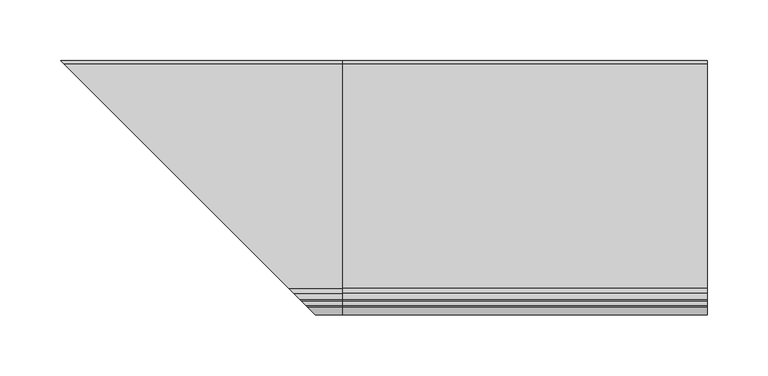
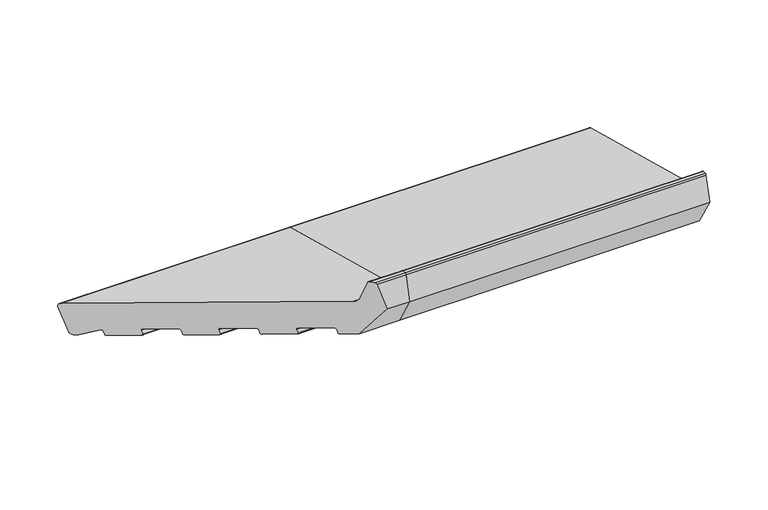
"""IFC4 building model written with IfcOpenShell, lengths in millimetres: proxy geometry."""

import ifcopenshell
import ifcopenshell.guid

model = None  # the IFC model being written
_history = None  # IfcOwnerHistory: only IFC2X3 demands one
_inside = {}  # id of a spatial element -> (the spatial element, [elements in it])
_under = {}  # id of a project, library or spatial element -> (it, [spatial elements below it])
_declared = {}  # id of a project -> (the project, [libraries it declares])
_typed = {}  # id of a type object -> (the type object, [elements of that type])
_made_of = {}  # id of a material, layer set ... -> (it, [elements and type objects made of it])


def new_model(schema):
    """Start an empty IFC model of exactly this schema.

    Asked for "IFC4X3", IfcOpenShell would pick the latest addendum, in which some entities
    have other attributes; the version numbers below select the first issue.
    IFC2X3 requires an IfcOwnerHistory on every rooted entity: one is made here for all.
    """
    global model, _history
    if schema == "IFC4X3":
        model = ifcopenshell.file(schema_version=(4, 3, 0, 0))
    else:
        model = ifcopenshell.file(schema=schema)
    _inside.clear()
    _under.clear()
    _declared.clear()
    _typed.clear()
    _made_of.clear()
    _history = None
    if model.schema == "IFC2X3":
        org = make("IfcOrganization", Name="unknown")
        user = make(
            "IfcPersonAndOrganization",
            ThePerson=make("IfcPerson", FamilyName="unknown"),
            TheOrganization=org,
        )
        app = make(
            "IfcApplication",
            ApplicationDeveloper=org,
            Version="unknown",
            ApplicationFullName="unknown",
            ApplicationIdentifier="unknown",
        )
        _history = make(
            "IfcOwnerHistory",
            OwningUser=user,
            OwningApplication=app,
            ChangeAction="ADDED",
            CreationDate=0,
        )
    return model


def make(cls, **values):
    """One entity of the class cls with the attributes given. An attribute that is None is left unset."""
    return model.create_entity(
        cls, **{name: value for name, value in values.items() if value is not None}
    )


def rooted(cls, **values):
    """An entity with a GlobalId (a new one), such as an element, a storey or a relation."""
    return make(cls, GlobalId=ifcopenshell.guid.new(), OwnerHistory=_history, **values)


def si_unit(unit_type, name, prefix=None):
    """IfcSIUnit, for example si_unit("LENGTHUNIT", "METRE", prefix="MILLI")."""
    return make("IfcSIUnit", UnitType=unit_type, Prefix=prefix, Name=name)


def assignment(units):
    """IfcUnitAssignment: the units of a project."""
    return None if units is None else make("IfcUnitAssignment", Units=units)


def point(xyz):
    """IfcCartesianPoint."""
    return None if xyz is None else make("IfcCartesianPoint", Coordinates=xyz)


def direction(xyz):
    """IfcDirection."""
    return None if xyz is None else make("IfcDirection", DirectionRatios=xyz)


def frame(location, z_axis=None, x_axis=None):
    """IfcAxis2Placement3D, a coordinate frame: its origin and axes. An axis left out is left unset."""
    return make(
        "IfcAxis2Placement3D",
        Location=point(location),
        Axis=direction(z_axis),
        RefDirection=direction(x_axis),
    )


def frame_2d(location, x_axis=None):
    """IfcAxis2Placement2D, a coordinate frame in the plane: its origin and x axis."""
    return make(
        "IfcAxis2Placement2D", Location=point(location), RefDirection=direction(x_axis)
    )


def origin():
    """The frame at (0, 0, 0) with its axes left unset."""
    return frame((0.0, 0.0, 0.0))


def place(relative_to, where):
    """IfcLocalPlacement: puts the frame where relative to a parent placement (None: the world)."""
    return make(
        "IfcLocalPlacement", PlacementRelTo=relative_to, RelativePlacement=where
    )


def context(
    kind, dimensions, precision=None, world=None, true_north=None, identifier=None
):
    """IfcGeometricRepresentationContext, for example the 3D "Model" context."""
    return make(
        "IfcGeometricRepresentationContext",
        ContextIdentifier=identifier,
        ContextType=kind,
        CoordinateSpaceDimension=dimensions,
        Precision=precision,
        WorldCoordinateSystem=world,
        TrueNorth=true_north,
    )


def project(units=None, contexts=None):
    """IfcProject with its units and contexts."""
    return rooted(
        "IfcProject",
        Name="project",
        RepresentationContexts=contexts,
        UnitsInContext=assignment(units),
    )


def spatial(cls, under=None, at=None, **own):
    """A site, building, storey or space (cls), placed at a placement, below another one or the project."""
    s = rooted(cls, ObjectPlacement=at, **own)
    if under is not None:
        _under.setdefault(under.id(), (under, []))[1].append(s)
    return s


def polyline(points):
    """IfcPolyline through the points."""
    return make("IfcPolyline", Points=[point(p) for p in points])


def circle_curve(where, radius):
    """IfcCircle in the frame where."""
    return make("IfcCircle", Position=where, Radius=radius)


def ellipse_curve(where, semi_axis1, semi_axis2):
    """IfcEllipse in the frame where."""
    return make(
        "IfcEllipse", Position=where, SemiAxis1=semi_axis1, SemiAxis2=semi_axis2
    )


def trimmed(basis, trim1, trim2, sense, master):
    """IfcTrimmedCurve: the piece of a basis curve between two trims."""
    return make(
        "IfcTrimmedCurve",
        BasisCurve=basis,
        Trim1=trim1,
        Trim2=trim2,
        SenseAgreement=sense,
        MasterRepresentation=master,
    )


def segment(curve, same_sense, transition):
    """IfcCompositeCurveSegment."""
    return make(
        "IfcCompositeCurveSegment",
        Transition=transition,
        SameSense=same_sense,
        ParentCurve=curve,
    )


def composite_curve(segments, self_intersect=None):
    """IfcCompositeCurve: segments joined end to end."""
    return make("IfcCompositeCurve", Segments=segments, SelfIntersect=self_intersect)


def outline(outer, holes=None, kind="AREA"):
    """IfcArbitraryClosedProfileDef: a profile drawn as a closed curve; with holes, ...WithVoids."""
    if holes is None:
        return make("IfcArbitraryClosedProfileDef", ProfileType=kind, OuterCurve=outer)
    return make(
        "IfcArbitraryProfileDefWithVoids",
        ProfileType=kind,
        OuterCurve=outer,
        InnerCurves=holes,
    )


def extrude(swept, where, along, depth):
    """IfcExtrudedAreaSolid: the profile swept, set in the frame where, extruded along a direction by depth."""
    return make(
        "IfcExtrudedAreaSolid",
        SweptArea=swept,
        Position=where,
        ExtrudedDirection=direction(along),
        Depth=depth,
    )


def shape(context_of_items, identifier, shape_type, items):
    """IfcShapeRepresentation: the items that make up one representation, for example the "Body"."""
    return make(
        "IfcShapeRepresentation",
        ContextOfItems=context_of_items,
        RepresentationIdentifier=identifier,
        RepresentationType=shape_type,
        Items=items,
    )


def source(mapping_origin, context_of_items, identifier, shape_type, items):
    """IfcRepresentationMap: a shape defined once, which mapped items show again and again."""
    return make(
        "IfcRepresentationMap",
        MappingOrigin=mapping_origin,
        MappedRepresentation=shape(context_of_items, identifier, shape_type, items),
    )


def transform(
    local_origin,
    x_axis=None,
    y_axis=None,
    z_axis=None,
    scale=None,
    scale2=None,
    scale3=None,
    uniform=True,
):
    """IfcCartesianTransformationOperator3D, or its non-uniform kind. x_axis, y_axis, z_axis: its Axis1, 2, 3."""
    if uniform:
        return make(
            "IfcCartesianTransformationOperator3D",
            Axis1=direction(x_axis),
            Axis2=direction(y_axis),
            LocalOrigin=point(local_origin),
            Scale=scale,
            Axis3=direction(z_axis),
        )
    return make(
        "IfcCartesianTransformationOperator3DnonUniform",
        Axis1=direction(x_axis),
        Axis2=direction(y_axis),
        LocalOrigin=point(local_origin),
        Scale=scale,
        Axis3=direction(z_axis),
        Scale2=scale2,
        Scale3=scale3,
    )


def mapped(mapping_source, mapping_target):
    """IfcMappedItem: shows the shape of a source again, moved by a transform."""
    return make(
        "IfcMappedItem", MappingSource=mapping_source, MappingTarget=mapping_target
    )


def made_of(thing, what):
    """Note that an element or type object is made of a material, layer set ...; save() writes the relation."""
    if what is not None:
        _made_of.setdefault(what.id(), (what, []))[1].append(thing)
    return thing


def element(
    cls,
    number,
    at=None,
    inside=None,
    cuts=None,
    type_object=None,
    material=None,
    context=None,
    identifier="Body",
    shape_type=None,
    held_by="IfcProductDefinitionShape",
    body=None,
    shapes=None,
    **own,
):
    """One element of the class cls, such as IfcWall. Its Tag is "e" and its number.

    at: its placement. inside: the storey or other place that contains it. cuts: it is an
    opening in that element (IfcRelVoidsElement). A single representation is given by context,
    identifier, shape_type and body (its items); several are given by shapes. held_by: the class
    of the entity that holds the representations. save() writes the other relations.
    """
    e = rooted(cls, Tag="e%d" % number, ObjectPlacement=at, **own)
    if body is not None:
        shapes = [shape(context, identifier, shape_type, body)]
    if shapes is not None:
        e.Representation = make(held_by, Representations=shapes)
    if inside is not None:
        _inside.setdefault(inside.id(), (inside, []))[1].append(e)
    if cuts is not None:
        rooted(
            "IfcRelVoidsElement", RelatingBuildingElement=cuts, RelatedOpeningElement=e
        )
    if type_object is not None:
        _typed.setdefault(type_object.id(), (type_object, []))[1].append(e)
    return made_of(e, material)


def aggregate(whole, parts):
    """IfcRelAggregates: a whole, such as a stair, and the parts it consists of."""
    return rooted("IfcRelAggregates", RelatingObject=whole, RelatedObjects=parts)


def save(model, path):
    """Write the relations noted so far, then the file.

    IfcRelAggregates (storeys below a building ...), IfcRelContainedInSpatialStructure (elements
    in a storey), IfcRelDefinesByType, IfcRelAssociatesMaterial and IfcRelDeclares: one each for
    every whole, place, type object, material and project.
    """
    for whole, parts in _under.values():
        aggregate(whole, parts)
    for where, things in _inside.values():
        rooted(
            "IfcRelContainedInSpatialStructure",
            RelatedElements=things,
            RelatingStructure=where,
        )
    for kind, things in _typed.values():
        rooted("IfcRelDefinesByType", RelatedObjects=things, RelatingType=kind)
    for what, things in _made_of.values():
        rooted("IfcRelAssociatesMaterial", RelatedObjects=things, RelatingMaterial=what)
    for by, libraries in _declared.values():
        rooted("IfcRelDeclares", RelatingContext=by, RelatedDefinitions=libraries)
    model.write(path)


def plane_surface(at):
    """IfcPlane: the flat surface through the origin of the frame at, square to its z axis."""
    return make("IfcPlane", Position=at)


def cylinder_surface(at, radius):
    """IfcCylindricalSurface: all points at the distance radius from the z axis of the frame at."""
    return make("IfcCylindricalSurface", Position=at, Radius=radius)


def revolved_surface(curve, axis_point, axis_direction):
    """IfcSurfaceOfRevolution: the curve turned about the line through axis_point along axis_direction."""
    return make(
        "IfcSurfaceOfRevolution",
        SweptCurve=make("IfcArbitraryOpenProfileDef", ProfileType="CURVE", Curve=curve),
        AxisPosition=make("IfcAxis1Placement", Location=point(axis_point), Axis=direction(axis_direction)),
    )


def advanced_brep(points, edges, surfaces, faces):
    """IfcAdvancedBrep: a solid bounded by faces that lie on surfaces and meet in shared edges.

    An edge is (start, end): straight between two places in points (the first is 0);
    or (start, end, curve); or (start, end, curve, False) where it runs against its curve.
    A face is (place in surfaces, loops), or (place, loops, False) where it looks against
    its surface's normal. A loop lists edges by number (the first is 1), with a minus sign
    where the edge is run from its end to its start. The first loop is the outer one.
    """
    corners = [point(p) for p in points]
    vertices = [make("IfcVertexPoint", VertexGeometry=c) for c in corners]
    made = []
    for start, end, *more in edges:
        made.append(
            make(
                "IfcEdgeCurve",
                EdgeStart=vertices[start],
                EdgeEnd=vertices[end],
                EdgeGeometry=more[0] if more else make("IfcPolyline", Points=[corners[start], corners[end]]),
                SameSense=more[1] if len(more) > 1 else True,
            )
        )
    hull = []
    for where, loops, *sense in faces:
        bounds = []
        for j, loop in enumerate(loops):
            ring = [make("IfcOrientedEdge", EdgeElement=made[abs(k) - 1], Orientation=k > 0) for k in loop]
            bounds.append(
                make(
                    "IfcFaceOuterBound" if j == 0 else "IfcFaceBound",
                    Bound=make("IfcEdgeLoop", EdgeList=ring),
                    Orientation=True,
                )
            )
        hull.append(make("IfcAdvancedFace", Bounds=bounds, FaceSurface=surfaces[where], SameSense=sense[0] if sense else True))
    return make("IfcAdvancedBrep", Outer=make("IfcClosedShell", CfsFaces=hull))


def generic_models_7150cc14(model_context):
    return source(origin(), model_context, "Body", "SolidModel", [
        advanced_brep(
        [(0.0, 27.5646181, 4.649359), (0.0, 31.2388527, 6.7706794), (0.0, 37.9681479, 31.8847509), (0.0, 35.8468275, 35.5589855), (0.0, -149.1626434, 85.1321238), (0.0, -153.4052841, 89.3747645), (0.0, -158.1879801, 107.2240293), (0.0, -159.6368689, 108.3358007), (0.0, -162.9802434, 108.3358007), (0.0, -164.4291321, 107.2240293), (0.0, -171.0, 82.7012164), (0.0, -153.3223305, 52.0825946), (0.0, -140.7652947, 48.717947), (0.0, -139.5405499, 49.4250538), (0.0, -138.5052737, 53.2887571), (0.0, -137.2805288, 53.9958639), (0.0, -114.098309, 47.7842068), (0.0, -113.3912022, 46.559462), (0.0, -114.4264784, 42.6957587), (0.0, -113.7193716, 41.4710138), (0.0, -91.5030776, 35.5181757), (0.0, -90.2783327, 36.2252825), (0.0, -89.2430565, 40.0889858), (0.0, -88.0183117, 40.7960926), (0.0, -64.8360918, 34.5844355), (0.0, -64.1289851, 33.3596907), (0.0, -65.1642612, 29.4959874), (0.0, -64.4571545, 28.2712425), (0.0, -42.2408604, 22.3184044), (0.0, -41.0161156, 23.0255112), (0.0, -39.9808394, 26.8892145), (0.0, -38.7560945, 27.5963213), (0.0, -15.5738747, 21.3846642), (0.0, -14.8667679, 20.1599194), (0.0, -15.9020441, 16.2962161), (0.0, -15.1949373, 15.0714712), (0.0, 7.0213567, 9.1186331), (0.0, 8.2461016, 9.8257399), (0.0, 9.195355, 13.368402), (0.0, 10.6796108, 13.9647636), (0.0, 24.8478405, 5.3773174), (-220.5646181, 27.5646181, 4.649359), (-224.2388527, 31.2388527, 6.7706794), (-230.9681479, 37.9681479, 31.8847509), (-228.8468275, 35.8468275, 35.5589855), (-43.8373566, -149.1626434, 85.1321238), (-39.5947159, -153.4052841, 89.3747645), (-34.8120199, -158.1879801, 107.2240293), (-33.3631311, -159.6368689, 108.3358007), (-30.0197566, -162.9802434, 108.3358007), (-28.5708679, -164.4291321, 107.2240293), (-22.0, -171.0, 82.7012164), (-39.6776695, -153.3223305, 52.0825946), (-52.2347053, -140.7652947, 48.717947), (-53.4594501, -139.5405499, 49.4250538), (-54.4947263, -138.5052737, 53.2887571), (-55.7194712, -137.2805288, 53.9958639), (-78.901691, -114.098309, 47.7842068), (-79.6087978, -113.3912022, 46.559462), (-78.5735216, -114.4264784, 42.6957587), (-79.2806284, -113.7193716, 41.4710138), (-101.4969224, -91.5030776, 35.5181757), (-102.7216673, -90.2783327, 36.2252825), (-103.7569435, -89.2430565, 40.0889858), (-104.9816883, -88.0183117, 40.7960926), (-217.8478405, 24.8478405, 5.3773174), (-128.1639082, -64.8360918, 34.5844355), (-127.8357388, -65.1642612, 29.4959874), (-128.5428455, -64.4571545, 28.2712425), (-128.8710149, -64.1289851, 33.3596907), (-150.7591396, -42.2408604, 22.3184044), (-151.9838844, -41.0161156, 23.0255112), (-153.0191606, -39.9808394, 26.8892145), (-154.2439055, -38.7560945, 27.5963213), (-177.4261253, -15.5738747, 21.3846642), (-203.6796108, 10.6796108, 13.9647636), (-202.195355, 9.195355, 13.368402), (-201.2461016, 8.2461016, 9.8257399), (-200.0213567, 7.0213567, 9.1186331), (-177.8050627, -15.1949373, 15.0714712), (-177.0979559, -15.9020441, 16.2962161), (-178.1332321, -14.8667679, 20.1599194)],
        [
            (0, 1, circle_curve(frame((0.0, 28.3410752, 7.5471365), z_axis=(1.0, 0.0, 0.0), x_axis=(0.0, 1.0, 0.0)), 3.0)),
            (1, 2),
            (2, 3, circle_curve(frame((0.0, 35.0703704, 32.661208), z_axis=(1.0, 0.0, 0.0), x_axis=(0.0, 1.0, 0.0)), 3.0)),
            (3, 4),
            (4, 5, circle_curve(frame((0.0, -147.6097291, 90.9276787), z_axis=(-1.0, 0.0, 0.0), x_axis=(0.0, 1.0, 0.0)), 6.0)),
            (5, 6),
            (6, 7, circle_curve(frame((0.0, -159.6368689, 106.8358007), z_axis=(1.0, 0.0, 0.0), x_axis=(0.0, 1.0, 0.0)), 1.5)),
            (7, 8),
            (8, 9, circle_curve(frame((0.0, -162.9802434, 106.8358007), z_axis=(1.0, 0.0, 0.0), x_axis=(0.0, 1.0, 0.0)), 1.5)),
            (9, 10),
            (10, 11),
            (11, 12),
            (12, 13, circle_curve(frame((0.0, -140.5064757, 49.6838729), z_axis=(1.0, 0.0, 0.0), x_axis=(0.0, 1.0, 0.0)), 1.0)),
            (13, 14),
            (14, 15, circle_curve(frame((0.0, -137.5393479, 53.0299381), z_axis=(-1.0, 0.0, 0.0), x_axis=(0.0, 1.0, 0.0)), 1.0)),
            (15, 16),
            (16, 17, circle_curve(frame((0.0, -114.357128, 46.818281), z_axis=(-1.0, 0.0, 0.0), x_axis=(0.0, 1.0, 0.0)), 1.0)),
            (17, 18),
            (18, 19, circle_curve(frame((0.0, -113.4605525, 42.4369396), z_axis=(1.0, 0.0, 0.0), x_axis=(0.0, 1.0, 0.0)), 1.0)),
            (19, 20),
            (20, 21, circle_curve(frame((0.0, -91.2442585, 36.4841016), z_axis=(1.0, 0.0, 0.0), x_axis=(0.0, 1.0, 0.0)), 1.0)),
            (21, 22),
            (22, 23, circle_curve(frame((0.0, -88.2771307, 39.8301668), z_axis=(-1.0, 0.0, 0.0), x_axis=(0.0, 1.0, 0.0)), 1.0)),
            (23, 24),
            (24, 25, circle_curve(frame((0.0, -65.0949109, 33.6185097), z_axis=(-1.0, 0.0, 0.0), x_axis=(0.0, 1.0, 0.0)), 1.0)),
            (25, 26),
            (26, 27, circle_curve(frame((0.0, -64.1983354, 29.2371683), z_axis=(1.0, 0.0, 0.0), x_axis=(0.0, 1.0, 0.0)), 1.0)),
            (27, 28),
            (28, 29, circle_curve(frame((0.0, -41.9820414, 23.2843303), z_axis=(1.0, 0.0, 0.0), x_axis=(0.0, 1.0, 0.0)), 1.0)),
            (29, 30),
            (30, 31, circle_curve(frame((0.0, -39.0149136, 26.6303955), z_axis=(-1.0, 0.0, 0.0), x_axis=(0.0, 1.0, 0.0)), 1.0)),
            (31, 32),
            (32, 33, circle_curve(frame((0.0, -15.8326937, 20.4187384), z_axis=(-1.0, 0.0, 0.0), x_axis=(0.0, 1.0, 0.0)), 1.0)),
            (33, 34),
            (34, 35, circle_curve(frame((0.0, -14.9361183, 16.037397), z_axis=(1.0, 0.0, 0.0), x_axis=(0.0, 1.0, 0.0)), 1.0)),
            (35, 36),
            (36, 37, circle_curve(frame((0.0, 7.2801757, 10.084559), z_axis=(1.0, 0.0, 0.0), x_axis=(0.0, 1.0, 0.0)), 1.0)),
            (37, 38),
            (38, 39, circle_curve(frame((0.0, 10.1612808, 13.1095829), z_axis=(-1.0, 0.0, 0.0), x_axis=(0.0, 1.0, 0.0)), 1.0)),
            (39, 40),
            (40, 0),
            (0, 41),
            (41, 42, ellipse_curve(frame((-221.3410752, 28.3410752, 7.5471365), z_axis=(0.707106781186548, 0.7071067811865471, 0.0), x_axis=(-0.707106781186547, 0.707106781186548, 0.0)), 4.2426407, 3.0)),
            (42, 1),
            (42, 43),
            (43, 2),
            (43, 44, ellipse_curve(frame((-228.0703704, 35.0703704, 32.661208), z_axis=(0.707106781186548, 0.7071067811865471, 0.0), x_axis=(-0.707106781186547, 0.707106781186548, 0.0)), 4.2426407, 3.0)),
            (44, 3),
            (44, 45),
            (45, 4),
            (45, 46, ellipse_curve(frame((-45.3902709, -147.6097291, 90.9276787), z_axis=(-0.707106781186548, -0.7071067811865471, 0.0), x_axis=(0.707106781186547, -0.707106781186548, 0.0)), 8.4852814, 6.0)),
            (46, 5),
            (46, 47),
            (47, 6),
            (47, 48, ellipse_curve(frame((-33.3631311, -159.6368689, 106.8358007), z_axis=(0.707106781186548, 0.7071067811865471, 0.0), x_axis=(-0.707106781186547, 0.707106781186548, 0.0)), 2.1213203, 1.5)),
            (48, 7),
            (48, 49),
            (49, 8),
            (49, 50, ellipse_curve(frame((-30.0197566, -162.9802434, 106.8358007), z_axis=(0.707106781186548, 0.7071067811865471, 0.0), x_axis=(-0.707106781186547, 0.707106781186548, 0.0)), 2.1213203, 1.5)),
            (50, 9),
            (50, 51),
            (51, 10),
            (51, 52),
            (52, 11),
            (52, 53),
            (53, 12),
            (53, 54, ellipse_curve(frame((-52.4935243, -140.5064757, 49.6838729), z_axis=(0.707106781186548, 0.7071067811865471, 0.0), x_axis=(-0.707106781186547, 0.707106781186548, 0.0)), 1.4142136, 1.0)),
            (54, 13),
            (54, 55),
            (55, 14),
            (55, 56, ellipse_curve(frame((-55.4606521, -137.5393479, 53.0299381), z_axis=(-0.707106781186548, -0.7071067811865471, 0.0), x_axis=(0.707106781186547, -0.707106781186548, 0.0)), 1.4142136, 1.0)),
            (56, 15),
            (56, 57),
            (57, 16),
            (57, 58, ellipse_curve(frame((-78.642872, -114.357128, 46.818281), z_axis=(-0.707106781186548, -0.7071067811865471, 0.0), x_axis=(0.707106781186547, -0.707106781186548, 0.0)), 1.4142136, 1.0)),
            (58, 17),
            (58, 59),
            (59, 18),
            (59, 60, ellipse_curve(frame((-79.5394475, -113.4605525, 42.4369396), z_axis=(0.707106781186548, 0.7071067811865471, 0.0), x_axis=(-0.707106781186547, 0.707106781186548, 0.0)), 1.4142136, 1.0)),
            (60, 19),
            (60, 61),
            (61, 20),
            (61, 62, ellipse_curve(frame((-101.7557415, -91.2442585, 36.4841016), z_axis=(0.707106781186548, 0.7071067811865471, 0.0), x_axis=(-0.707106781186547, 0.707106781186548, 0.0)), 1.4142136, 1.0)),
            (62, 21),
            (62, 63),
            (63, 22),
            (63, 64, ellipse_curve(frame((-104.7228693, -88.2771307, 39.8301668), z_axis=(-0.707106781186548, -0.7071067811865471, 0.0), x_axis=(0.707106781186547, -0.707106781186548, 0.0)), 1.4142136, 1.0)),
            (64, 23),
            (40, 65),
            (65, 41),
            (64, 66),
            (66, 24),
            (26, 67),
            (67, 68, ellipse_curve(frame((-128.8016646, -64.1983354, 29.2371683), z_axis=(0.707106781186548, 0.7071067811865471, 0.0), x_axis=(-0.707106781186547, 0.707106781186548, 0.0)), 1.4142136, 1.0)),
            (68, 27),
            (25, 69),
            (69, 67),
            (66, 69, ellipse_curve(frame((-127.9050891, -65.0949109, 33.6185097), z_axis=(-0.707106781186548, -0.7071067811865471, 0.0), x_axis=(0.707106781186547, -0.707106781186548, 0.0)), 1.4142136, 1.0)),
            (68, 70),
            (70, 28),
            (70, 71, ellipse_curve(frame((-151.0179586, -41.9820414, 23.2843303), z_axis=(0.707106781186548, 0.7071067811865471, 0.0), x_axis=(-0.707106781186547, 0.707106781186548, 0.0)), 1.4142136, 1.0)),
            (71, 29),
            (71, 72),
            (72, 30),
            (72, 73, ellipse_curve(frame((-153.9850864, -39.0149136, 26.6303955), z_axis=(-0.707106781186548, -0.7071067811865471, 0.0), x_axis=(0.707106781186547, -0.707106781186548, 0.0)), 1.4142136, 1.0)),
            (73, 31),
            (73, 74),
            (74, 32),
            (65, 75),
            (75, 76, ellipse_curve(frame((-203.1612808, 10.1612808, 13.1095829), z_axis=(0.707106781186548, 0.7071067811865471, 0.0), x_axis=(0.707106781186547, -0.707106781186548, 0.0)), 1.4142136, 1.0)),
            (76, 77),
            (77, 78, ellipse_curve(frame((-200.2801757, 7.2801757, 10.084559), z_axis=(-0.707106781186548, -0.7071067811865471, 0.0), x_axis=(-0.707106781186547, 0.707106781186548, 0.0)), 1.4142136, 1.0)),
            (78, 79),
            (79, 80, ellipse_curve(frame((-178.0638817, -14.9361183, 16.037397), z_axis=(-0.707106781186548, -0.7071067811865471, 0.0), x_axis=(-0.707106781186547, 0.707106781186548, 0.0)), 1.4142136, 1.0)),
            (80, 81),
            (81, 74, ellipse_curve(frame((-177.1673063, -15.8326937, 20.4187384), z_axis=(0.707106781186548, 0.7071067811865471, 0.0), x_axis=(0.707106781186547, -0.707106781186548, 0.0)), 1.4142136, 1.0)),
            (39, 75),
            (38, 76),
            (37, 77),
            (36, 78),
            (35, 79),
            (34, 80),
            (33, 81),
        ],
        [
            plane_surface(frame((0.0, 0.0, 0.0), z_axis=(1.0, 0.0, 0.0), x_axis=(0.0, 0.0, 1.0))),
            cylinder_surface(frame((-231.2117918, 28.3410752, 7.5471365), z_axis=(-1.0, 0.0, 0.0), x_axis=(0.0, 1.0, 0.0)), 3.0),
            plane_surface(frame((-231.2117918, 37.9681479, 31.8847509), z_axis=(0.0, 0.9659258262890688, -0.2588190451025192), x_axis=(1.0, 0.0, 0.0))),
            cylinder_surface(frame((-231.2117918, 35.0703704, 32.661208), z_axis=(-1.0, 0.0, 0.0), x_axis=(0.0, 1.0, 0.0)), 3.0),
            plane_surface(frame((-231.2117918, -149.1626434, 85.1321238), z_axis=(0.0, 0.2588190451025207, 0.9659258262890683), x_axis=(1.0, 0.0, 0.0))),
            revolved_surface(polyline([(0.0, -141.6097291, 90.9276787), (-51.39027091821606, -141.6097291, 90.9276787)]), (-231.2117918, -147.6097291, 90.9276787), (1.0, 0.0, 0.0)),
            plane_surface(frame((-231.2117918, -158.1879801, 107.2240293), z_axis=(0.0, 0.9659258262890698, 0.25881904510251524), x_axis=(1.0, 0.0, 0.0))),
            cylinder_surface(frame((-231.2117918, -159.6368689, 106.8358007), z_axis=(-1.0, 0.0, 0.0), x_axis=(0.0, 1.0, 0.0)), 1.5),
            plane_surface(frame((-231.2117918, -162.9802434, 108.3358007), z_axis=(0.0, 0.0, 1.0), x_axis=(1.0, 0.0, 0.0))),
            cylinder_surface(frame((-231.2117918, -162.9802434, 106.8358007), z_axis=(-1.0, 0.0, 0.0), x_axis=(0.0, 1.0, 0.0)), 1.5),
            plane_surface(frame((-231.2117918, -171.0, 82.7012164), z_axis=(0.0, -0.9659258262890683, 0.2588190451025209), x_axis=(1.0, 0.0, 0.0))),
            plane_surface(frame((-231.2117918, -153.3223305, 52.0825946), z_axis=(0.0, -0.8660254037844415, -0.4999999999999952), x_axis=(1.0, 0.0, 0.0))),
            plane_surface(frame((-231.2117918, -140.7652947, 48.717947), z_axis=(0.0, -0.2588190451025172, -0.9659258262890693), x_axis=(1.0, 0.0, 0.0))),
            cylinder_surface(frame((-231.2117918, -140.5064757, 49.6838729), z_axis=(-1.0, 0.0, 0.0), x_axis=(0.0, 1.0, 0.0)), 1.0),
            plane_surface(frame((-231.2117918, -138.5052737, 53.2887571), z_axis=(0.0, 0.9659258262890776, -0.25881904510248605), x_axis=(1.0, 0.0, 0.0))),
            revolved_surface(polyline([(0.0, -136.5393479, 53.0299381), (-56.46065212660625, -136.5393479, 53.0299381)]), (-231.2117918, -137.5393479, 53.0299381), (1.0, 0.0, 0.0)),
            plane_surface(frame((-231.2117918, -114.098309, 47.7842068), z_axis=(0.0, -0.258819045102523, -0.9659258262890678), x_axis=(1.0, 0.0, 0.0))),
            revolved_surface(polyline([(0.0, -113.357128, 46.818281), (-79.64287202660623, -113.357128, 46.818281)]), (-231.2117918, -114.357128, 46.818281), (1.0, 0.0, 0.0)),
            plane_surface(frame((-231.2117918, -114.4264784, 42.6957587), z_axis=(0.0, -0.9659258262890776, 0.25881904510248605), x_axis=(1.0, 0.0, 0.0))),
            cylinder_surface(frame((-231.2117918, -113.4605525, 42.4369396), z_axis=(-1.0, 0.0, 0.0), x_axis=(0.0, 1.0, 0.0)), 1.0),
            plane_surface(frame((-231.2117918, -91.5030776, 35.5181757), z_axis=(0.0, -0.2588190451025226, -0.9659258262890679), x_axis=(1.0, 0.0, 0.0))),
            cylinder_surface(frame((-231.2117918, -91.2442585, 36.4841016), z_axis=(-1.0, 0.0, 0.0), x_axis=(0.0, 1.0, 0.0)), 1.0),
            plane_surface(frame((-231.2117918, -89.2430565, 40.0889858), z_axis=(0.0, 0.9659258262890776, -0.25881904510248605), x_axis=(1.0, 0.0, 0.0))),
            revolved_surface(polyline([(0.0, -87.2771307, 39.8301668), (-105.72286932660624, -87.2771307, 39.8301668)]), (-231.2117918, -88.2771307, 39.8301668), (1.0, 0.0, 0.0)),
            plane_surface(frame((-231.2117918, 27.5646181, 4.649359), z_axis=(0.0, -0.2588190451025255, -0.9659258262890671), x_axis=(1.0, 0.0, 0.0))),
            plane_surface(frame((-231.2117918, -64.8360918, 34.5844355), z_axis=(0.0, -0.2588190451025206, -0.9659258262890683), x_axis=(1.0, 0.0, 0.0))),
            cylinder_surface(frame((-231.2117918, -64.1983354, 29.2371683), z_axis=(-1.0, 0.0, 0.0), x_axis=(0.0, 1.0, 0.0)), 1.0),
            plane_surface(frame((-231.2117918, -65.1642612, 29.4959874), z_axis=(0.0, -0.9659258262890776, 0.25881904510248605), x_axis=(1.0, 0.0, 0.0))),
            revolved_surface(polyline([(0.0, -64.0949109, 33.6185097), (-128.90508912660624, -64.0949109, 33.6185097)]), (-231.2117918, -65.0949109, 33.6185097), (1.0, 0.0, 0.0)),
            plane_surface(frame((-231.2117918, -42.2408604, 22.3184044), z_axis=(0.0, -0.2588190451025198, -0.9659258262890686), x_axis=(1.0, 0.0, 0.0))),
            cylinder_surface(frame((-231.2117918, -41.9820414, 23.2843303), z_axis=(-1.0, 0.0, 0.0), x_axis=(0.0, 1.0, 0.0)), 1.0),
            plane_surface(frame((-231.2117918, -39.9808394, 26.8892145), z_axis=(0.0, 0.9659258262890776, -0.25881904510248605), x_axis=(1.0, 0.0, 0.0))),
            revolved_surface(polyline([(0.0, -38.0149136, 26.6303955), (-154.98508642660624, -38.0149136, 26.6303955)]), (-231.2117918, -39.0149136, 26.6303955), (1.0, 0.0, 0.0)),
            plane_surface(frame((-231.2117918, -15.5738747, 21.3846642), z_axis=(0.0, -0.25881904510252063, -0.9659258262890683), x_axis=(1.0, 0.0, 0.0))),
            plane_surface(frame((-175.6233951, -17.3766049, 0.0), z_axis=(-0.707106781186548, -0.7071067811865471, 0.0), x_axis=(0.0, 0.0, 1.0))),
            plane_surface(frame((-231.2117918, 24.8478405, 5.3773174), z_axis=(0.0, -0.5183299834329768, -0.8551806991942522), x_axis=(1.0, 0.0, 0.0))),
            revolved_surface(polyline([(0.0, 11.1612808, 13.1095829), (-204.16128082660623, 11.1612808, 13.1095829)]), (-231.2117918, 10.1612808, 13.1095829), (1.0, 0.0, 0.0)),
            plane_surface(frame((-231.2117918, 9.195355, 13.368402), z_axis=(0.0, 0.9659258262890607, -0.2588190451025496), x_axis=(1.0, 0.0, 0.0))),
            cylinder_surface(frame((-231.2117918, 7.2801757, 10.084559), z_axis=(-1.0, 0.0, 0.0), x_axis=(0.0, 1.0, 0.0)), 1.0),
            plane_surface(frame((-231.2117918, 7.0213567, 9.1186331), z_axis=(0.0, -0.2588190451025221, -0.965925826289068), x_axis=(1.0, 0.0, 0.0))),
            cylinder_surface(frame((-231.2117918, -14.9361183, 16.037397), z_axis=(-1.0, 0.0, 0.0), x_axis=(0.0, 1.0, 0.0)), 1.0),
            plane_surface(frame((-231.2117918, -15.9020441, 16.2962161), z_axis=(0.0, -0.9659258262890634, 0.2588190451025393), x_axis=(1.0, 0.0, 0.0))),
            revolved_surface(polyline([(0.0, -14.8326937, 20.4187384), (-178.16730632660625, -14.8326937, 20.4187384)]), (-231.2117918, -15.8326937, 20.4187384), (1.0, 0.0, 0.0)),
        ],
        [
            (0, [[1, 2, 3, 4, 5, 6, 7, 8, 9, 10, 11, 12, 13, 14, 15, 16, 17, 18, 19, 20, 21, 22, 23, 24, 25, 26, 27, 28, 29, 30, 31, 32, 33, 34, 35, 36, 37, 38, 39, 40, 41]]),
            (1, [[-1, 42, 43, 44]]),
            (2, [[-2, -44, 45, 46]]),
            (3, [[-3, -46, 47, 48]]),
            (4, [[-4, -48, 49, 50]]),
            (5, [[-5, -50, 51, 52]]),
            (6, [[-6, -52, 53, 54]]),
            (7, [[-7, -54, 55, 56]]),
            (8, [[-8, -56, 57, 58]]),
            (9, [[-9, -58, 59, 60]]),
            (10, [[-10, -60, 61, 62]]),
            (11, [[-11, -62, 63, 64]]),
            (12, [[-12, -64, 65, 66]]),
            (13, [[-13, -66, 67, 68]]),
            (14, [[-14, -68, 69, 70]]),
            (15, [[-15, -70, 71, 72]]),
            (16, [[-16, -72, 73, 74]]),
            (17, [[-17, -74, 75, 76]]),
            (18, [[-18, -76, 77, 78]]),
            (19, [[-19, -78, 79, 80]]),
            (20, [[-20, -80, 81, 82]]),
            (21, [[-21, -82, 83, 84]]),
            (22, [[-22, -84, 85, 86]]),
            (23, [[-23, -86, 87, 88]]),
            (24, [[-41, 89, 90, -42]]),
            (25, [[-24, -88, 91, 92]]),
            (26, [[-27, 93, 94, 95]]),
            (27, [[-26, 96, 97, -93]]),
            (28, [[-25, -92, 98, -96]]),
            (29, [[-28, -95, 99, 100]]),
            (30, [[-29, -100, 101, 102]]),
            (31, [[-30, -102, 103, 104]]),
            (32, [[-31, -104, 105, 106]]),
            (33, [[-32, -106, 107, 108]]),
            (34, [[-43, -90, 109, 110, 111, 112, 113, 114, 115, 116, -107, -105, -103, -101, -99, -94, -97, -98, -91, -87, -85, -83, -81, -79, -77, -75, -73, -71, -69, -67, -65, -63, -61, -59, -57, -55, -53, -51, -49, -47, -45]]),
            (35, [[-40, 117, -109, -89]]),
            (36, [[-39, 118, -110, -117]]),
            (37, [[-38, 119, -111, -118]]),
            (38, [[-37, 120, -112, -119]]),
            (39, [[-36, 121, -113, -120]]),
            (40, [[-35, 122, -114, -121]]),
            (41, [[-34, 123, -115, -122]]),
            (42, [[-33, -108, -116, -123]]),
        ],
    ),
        extrude(outline(composite_curve([segment(polyline([(27.5646181, 4.649359), (24.8478405, 5.3773174), (10.6796108, 13.9647636)]), True, "CONTINUOUS"), segment(trimmed(circle_curve(frame_2d((10.1612808, 13.1095829)), 1.0), [point((10.6796108, 13.9647636))], [point((9.195355, 13.368402))], True, "CARTESIAN"), True, "CONTINUOUS"), segment(polyline([(9.195355, 13.368402), (8.2461016, 9.8257399)]), True, "CONTINUOUS"), segment(trimmed(circle_curve(frame_2d((7.2801757, 10.084559)), 1.0), [point((8.2461016, 9.8257399))], [point((7.0213567, 9.1186331))], False, "CARTESIAN"), True, "CONTINUOUS"), segment(polyline([(7.0213567, 9.1186331), (-15.1949373, 15.0714712)]), True, "CONTINUOUS"), segment(trimmed(circle_curve(frame_2d((-14.9361183, 16.037397)), 1.0), [point((-15.1949373, 15.0714712))], [point((-15.9020441, 16.2962161))], False, "CARTESIAN"), True, "CONTINUOUS"), segment(polyline([(-15.9020441, 16.2962161), (-14.8667679, 20.1599194)]), True, "CONTINUOUS"), segment(trimmed(circle_curve(frame_2d((-15.8326937, 20.4187384)), 1.0), [point((-14.8667679, 20.1599194))], [point((-15.5738747, 21.3846642))], True, "CARTESIAN"), True, "CONTINUOUS"), segment(polyline([(-15.5738747, 21.3846642), (-38.7560945, 27.5963213)]), True, "CONTINUOUS"), segment(trimmed(circle_curve(frame_2d((-39.0149136, 26.6303955)), 1.0), [point((-38.7560945, 27.5963213))], [point((-39.9808394, 26.8892145))], True, "CARTESIAN"), True, "CONTINUOUS"), segment(polyline([(-39.9808394, 26.8892145), (-41.0161156, 23.0255112)]), True, "CONTINUOUS"), segment(trimmed(circle_curve(frame_2d((-41.9820414, 23.2843303)), 1.0), [point((-41.0161156, 23.0255112))], [point((-42.2408604, 22.3184044))], False, "CARTESIAN"), True, "CONTINUOUS"), segment(polyline([(-42.2408604, 22.3184044), (-64.4571545, 28.2712425)]), True, "CONTINUOUS"), segment(trimmed(circle_curve(frame_2d((-64.1983354, 29.2371683)), 1.0), [point((-64.4571545, 28.2712425))], [point((-65.1642612, 29.4959874))], False, "CARTESIAN"), True, "CONTINUOUS"), segment(polyline([(-65.1642612, 29.4959874), (-64.1289851, 33.3596907)]), True, "CONTINUOUS"), segment(trimmed(circle_curve(frame_2d((-65.0949109, 33.6185097)), 1.0), [point((-64.1289851, 33.3596907))], [point((-64.8360918, 34.5844355))], True, "CARTESIAN"), True, "CONTINUOUS"), segment(polyline([(-64.8360918, 34.5844355), (-88.0183117, 40.7960926)]), True, "CONTINUOUS"), segment(trimmed(circle_curve(frame_2d((-88.2771307, 39.8301668)), 1.0), [point((-88.0183117, 40.7960926))], [point((-89.2430565, 40.0889858))], True, "CARTESIAN"), True, "CONTINUOUS"), segment(polyline([(-89.2430565, 40.0889858), (-90.2783327, 36.2252825)]), True, "CONTINUOUS"), segment(trimmed(circle_curve(frame_2d((-91.2442585, 36.4841016)), 1.0), [point((-90.2783327, 36.2252825))], [point((-91.5030776, 35.5181757))], False, "CARTESIAN"), True, "CONTINUOUS"), segment(polyline([(-91.5030776, 35.5181757), (-113.7193716, 41.4710138)]), True, "CONTINUOUS"), segment(trimmed(circle_curve(frame_2d((-113.4605525, 42.4369396)), 1.0), [point((-113.7193716, 41.4710138))], [point((-114.4264784, 42.6957587))], False, "CARTESIAN"), True, "CONTINUOUS"), segment(polyline([(-114.4264784, 42.6957587), (-113.3912022, 46.559462)]), True, "CONTINUOUS"), segment(trimmed(circle_curve(frame_2d((-114.357128, 46.818281)), 1.0), [point((-113.3912022, 46.559462))], [point((-114.098309, 47.7842068))], True, "CARTESIAN"), True, "CONTINUOUS"), segment(polyline([(-114.098309, 47.7842068), (-137.2805288, 53.9958639)]), True, "CONTINUOUS"), segment(trimmed(circle_curve(frame_2d((-137.5393479, 53.0299381)), 1.0), [point((-137.2805288, 53.9958639))], [point((-138.5052737, 53.2887571))], True, "CARTESIAN"), True, "CONTINUOUS"), segment(polyline([(-138.5052737, 53.2887571), (-139.5405499, 49.4250538)]), True, "CONTINUOUS"), segment(trimmed(circle_curve(frame_2d((-140.5064757, 49.6838729)), 1.0), [point((-139.5405499, 49.4250538))], [point((-140.7652947, 48.717947))], False, "CARTESIAN"), True, "CONTINUOUS"), segment(polyline([(-140.7652947, 48.717947), (-153.3223305, 52.0825946), (-171.0, 82.7012164), (-164.4291321, 107.2240293)]), True, "CONTINUOUS"), segment(trimmed(circle_curve(frame_2d((-162.9802434, 106.8358007)), 1.5), [point((-164.4291321, 107.2240293))], [point((-162.9802434, 108.3358007))], False, "CARTESIAN"), True, "CONTINUOUS"), segment(polyline([(-162.9802434, 108.3358007), (-159.6368689, 108.3358007)]), True, "CONTINUOUS"), segment(trimmed(circle_curve(frame_2d((-159.6368689, 106.8358007)), 1.5), [point((-159.6368689, 108.3358007))], [point((-158.1879801, 107.2240293))], False, "CARTESIAN"), True, "CONTINUOUS"), segment(polyline([(-158.1879801, 107.2240293), (-153.4052841, 89.3747645)]), True, "CONTINUOUS"), segment(trimmed(circle_curve(frame_2d((-147.6097291, 90.9276787)), 6.0), [point((-153.4052841, 89.3747645))], [point((-149.1626434, 85.1321238))], True, "CARTESIAN"), True, "CONTINUOUS"), segment(polyline([(-149.1626434, 85.1321238), (35.8468275, 35.5589855)]), True, "CONTINUOUS"), segment(trimmed(circle_curve(frame_2d((35.0703704, 32.661208)), 3.0), [point((35.8468275, 35.5589855))], [point((37.9681479, 31.8847509))], False, "CARTESIAN"), True, "CONTINUOUS"), segment(polyline([(37.9681479, 31.8847509), (31.2388527, 6.7706794)]), True, "CONTINUOUS"), segment(trimmed(circle_curve(frame_2d((28.3410752, 7.5471365)), 3.0), [point((31.2388527, 6.7706794))], [point((27.5646181, 4.649359))], False, "CARTESIAN"), True, "CONTINUOUS")], self_intersect=False)), frame((0.0, 0.0, 0.0), z_axis=(1.0, 0.0, 0.0), x_axis=(0.0, 1.0, 0.0)), (0.0, 0.0, 1.0), 300.0),
    ])


if __name__ == "__main__":
    model = new_model("IFC4")
    model_context = context("Model", 3, world=origin())
    ifc_project = project(units=[si_unit("LENGTHUNIT", "METRE", prefix="MILLI")], contexts=[model_context])
    site = spatial("IfcSite", under=ifc_project)
    building = spatial("IfcBuilding", under=site)
    placement = place(None, origin())
    generic_models_shape = generic_models_7150cc14(model_context)
    element("IfcBuildingElementProxy", 1, Name="Generic Models", at=placement, inside=building, context=model_context, shape_type="MappedRepresentation", body=[
        mapped(generic_models_shape, transform((0.0, 0.0, 0.0), x_axis=(1.0, 0.0, 0.0), y_axis=(0.0, 1.0, 0.0), z_axis=(0.0, 0.0, 1.0))),
    ])
    save(model, "model.ifc")
